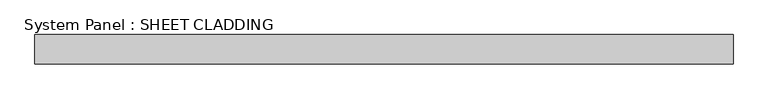
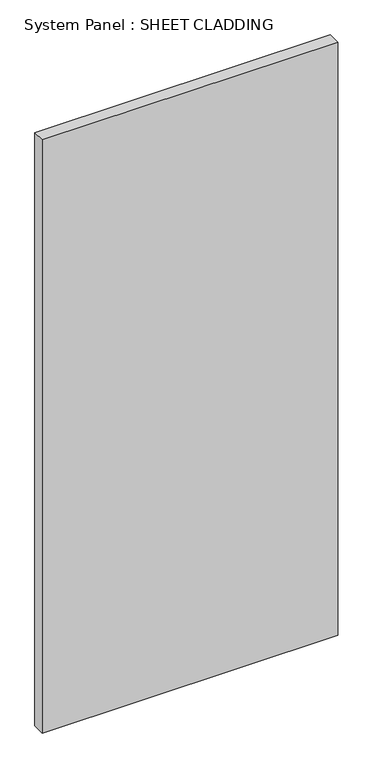
"""IFC4 building model written with IfcOpenShell, lengths in millimetres: plate geometry, System Panel : SHEET CLADDING."""

from ifc_helpers import new_model, si_unit, origin, origin_with_axes, place, context, project, spatial, polyline, outline, extrude, source, transform, mapped, element, save


def system_panel_sheet_cladding_1f6bbc46(model_context):
    return source(origin(), model_context, "Body", "SweptSolid", [
        extrude(outline(polyline([(714.2857143, -10.5), (-714.2857143, -10.5), (-714.2857143, 49.5), (714.2857143, 49.5), (714.2857143, -10.5)])), origin_with_axes(), (0.0, 0.0, 1.0), 3031.35),
    ])


if __name__ == "__main__":
    model = new_model("IFC4")
    model_context = context("Model", 3, world=origin())
    ifc_project = project(units=[si_unit("LENGTHUNIT", "METRE", prefix="MILLI")], contexts=[model_context])
    site = spatial("IfcSite", under=ifc_project)
    building = spatial("IfcBuilding", under=site)
    placement = place(None, origin())
    system_panel_sheet_cladding_shape = system_panel_sheet_cladding_1f6bbc46(model_context)
    element("IfcPlate", 1, ObjectType="System Panel : SHEET CLADDING", at=placement, inside=building, context=model_context, shape_type="MappedRepresentation", body=[
        mapped(system_panel_sheet_cladding_shape, transform((0.0, 0.0, 0.0), x_axis=(1.0, 0.0, 0.0), y_axis=(0.0, 1.0, 0.0), z_axis=(0.0, 0.0, 1.0))),
    ])
    save(model, "model.ifc")
